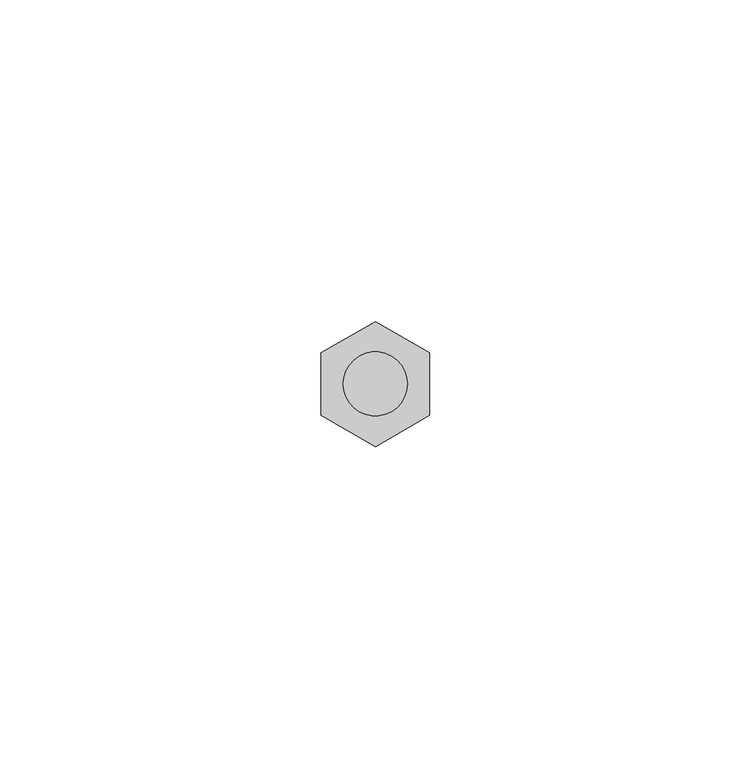
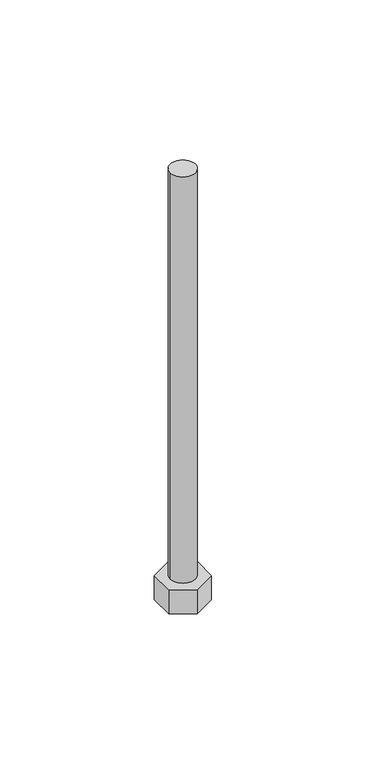
"""IFC4 building model written with IfcOpenShell, lengths in millimetres: proxy geometry."""

from ifc_helpers import new_model, si_unit, point, frame, origin, origin_2d, place, context, project, spatial, polyline, circle_curve, trimmed, segment, composite_curve, outline, extrude, source, transform, mapped, element, save


def generic_models_1af73a0d(model_context):
    return source(origin(), model_context, "Body", "SweptSolid", [
        extrude(outline(polyline([(-8.424, 4.8635987), (0.0, 9.7271973), (8.424, 4.8635987), (8.424, -4.8635987), (0.0, -9.7271973), (-8.424, -4.8635987), (-8.424, 4.8635987)])), frame((0.0, 0.0, 73.0), z_axis=(0.0, 0.0, 1.0), x_axis=(1.0, 0.0, 0.0)), (0.0, 0.0, 1.0), 10.0),
        extrude(outline(composite_curve([segment(trimmed(circle_curve(origin_2d(), 5.0), [point((-5.0, 0.0))], [point((5.0, 0.0))], False, "CARTESIAN"), True, "CONTINUOUS"), segment(trimmed(circle_curve(origin_2d(), 5.0), [point((5.0, 0.0))], [point((-5.0, 0.0))], False, "CARTESIAN"), True, "CONTINUOUS")], self_intersect=False)), frame((0.0, 0.0, 73.0), z_axis=(0.0, 0.0, 1.0), x_axis=(1.0, 0.0, 0.0)), (0.0, 0.0, 1.0), 179.0),
    ])


if __name__ == "__main__":
    model = new_model("IFC4")
    model_context = context("Model", 3, world=origin())
    ifc_project = project(units=[si_unit("LENGTHUNIT", "METRE", prefix="MILLI")], contexts=[model_context])
    site = spatial("IfcSite", under=ifc_project)
    building = spatial("IfcBuilding", under=site)
    placement = place(None, origin())
    generic_models_shape = generic_models_1af73a0d(model_context)
    element("IfcBuildingElementProxy", 1, Name="Generic Models", at=placement, inside=building, context=model_context, shape_type="MappedRepresentation", body=[
        mapped(generic_models_shape, transform((0.0, 0.0, 0.0), x_axis=(1.0, 0.0, 0.0), y_axis=(0.0, 1.0, 0.0), z_axis=(0.0, 0.0, 1.0))),
    ])
    save(model, "model.ifc")
